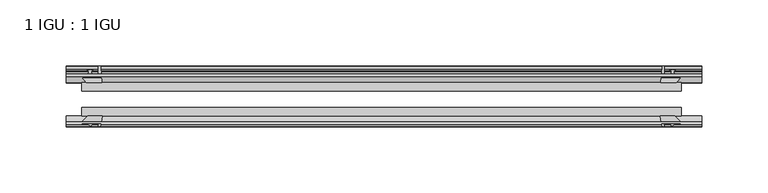
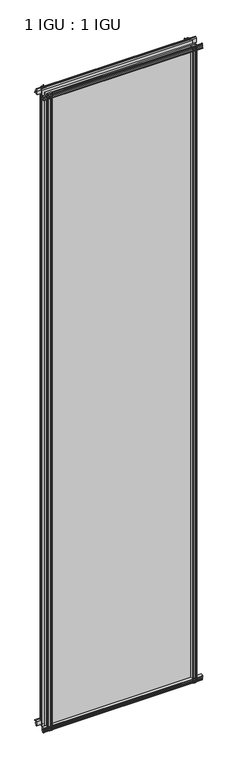
"""IFC4 building model written with IfcOpenShell, lengths in millimetres: plate geometry, 1 IGU : 1 IGU."""

from ifc_helpers import new_model, si_unit, point, frame, frame_2d, origin, place, context, project, spatial, polyline, circle_curve, trimmed, segment, composite_curve, outline, extrude, source, transform, mapped, element, save


def plate_1_igu_1_igu_00adc5f7(model_context):
    return source(origin(), model_context, "Body", "SweptSolid", [
        extrude(outline(composite_curve([segment(polyline([(-57.0900403, 1.731044), (-50.00625, 3.0983599), (-50.00625, -7.92383), (-54.1882244, -12.1058044)]), True, "CONTINUOUS"), segment(trimmed(circle_curve(frame_2d((-55.08625, -11.2077788)), 1.27), [point((-54.1882244, -12.1058044))], [point((-56.35625, -11.2077788))], False, "CARTESIAN"), True, "CONTINUOUS"), segment(polyline([(-56.35625, -11.2077788), (-56.35625, -8.0327788), (-57.835546, -5.4488186), (-56.35625, -5.1879788), (-56.35625, 0.2222212), (-57.65913, 0.0383748)]), True, "CONTINUOUS"), segment(trimmed(circle_curve(frame_2d((-56.9150839, 0.7302212)), 1.016), [point((-57.65913, 0.0383748))], [point((-57.0900403, 1.731044))], False, "CARTESIAN"), True, "CONTINUOUS")], self_intersect=False)), frame((-238.8488999, 0.0, 0.0), z_axis=(1.0, 0.0, 0.0), x_axis=(0.0, 1.0, 0.0)), (0.0, 0.0, 1.0), 481.7363999),
        extrude(outline(composite_curve([segment(polyline([(-24.60625, 2.5763839), (-12.8423053, 1.6478499)]), True, "CONTINUOUS"), segment(trimmed(circle_curve(frame_2d((-12.92225, 0.635)), 1.016), [point((-12.8423053, 1.6478499))], [point((-12.1291353, 0.0))], False, "CARTESIAN"), True, "CONTINUOUS"), segment(polyline([(-12.1291353, 0.0), (-18.25625, 0.0), (-18.25625, -4.953), (-15.9568457, -5.5691235), (-16.3325195, -4.1670901), (-15.4738114, -3.937), (-14.82725, -6.35), (-15.4738114, -8.763), (-16.3325195, -8.5329099), (-15.9568457, -7.1308765), (-18.25625, -7.747), (-18.25625, -12.7), (-20.28825, -12.7), (-24.60625, -9.1036931), (-24.60625, 2.5763839)]), True, "CONTINUOUS")], self_intersect=False)), frame((-238.8488999, 0.0, 0.0), z_axis=(1.0, 0.0, 0.0), x_axis=(0.0, 1.0, 0.0)), (0.0, 0.0, 1.0), 481.7363999),
        extrude(outline(composite_curve([segment(polyline([(-20.28825, 2019.3), (-18.25625, 2019.3), (-18.25625, 2014.347), (-15.9568457, 2013.7308765), (-16.3325195, 2015.1329099), (-15.4738114, 2015.363), (-14.82725, 2012.95), (-15.4738114, 2010.537), (-16.3325195, 2010.7670901), (-15.9568457, 2012.1691235), (-18.25625, 2011.553), (-18.25625, 2006.6), (-12.1291353, 2006.6)]), True, "CONTINUOUS"), segment(trimmed(circle_curve(frame_2d((-12.92225, 2005.965)), 1.016), [point((-12.1291353, 2006.6))], [point((-12.8423053, 2004.9521501))], False, "CARTESIAN"), True, "CONTINUOUS"), segment(polyline([(-12.8423053, 2004.9521501), (-24.60625, 2004.0236161), (-24.60625, 2015.7036931), (-20.28825, 2019.3)]), True, "CONTINUOUS")], self_intersect=False)), frame((-238.8488999, 0.0, 0.0), z_axis=(1.0, 0.0, 0.0), x_axis=(0.0, 1.0, 0.0)), (0.0, 0.0, 1.0), 481.7363999),
        extrude(outline(composite_curve([segment(trimmed(circle_curve(frame_2d((-56.9150839, 2005.8697788)), 1.016), [point((-57.0900403, 2004.868956))], [point((-57.65913, 2006.5616252))], False, "CARTESIAN"), True, "CONTINUOUS"), segment(polyline([(-57.65913, 2006.5616252), (-56.35625, 2006.3777788), (-56.35625, 2011.7879788), (-57.835546, 2012.0488186), (-56.35625, 2014.6327788), (-56.35625, 2017.8077788)]), True, "CONTINUOUS"), segment(trimmed(circle_curve(frame_2d((-55.08625, 2017.8077788)), 1.27), [point((-56.35625, 2017.8077788))], [point((-54.1882244, 2018.7058044))], False, "CARTESIAN"), True, "CONTINUOUS"), segment(polyline([(-54.1882244, 2018.7058044), (-50.00625, 2014.52383), (-50.00625, 2003.5016401), (-57.0900403, 2004.868956)]), True, "CONTINUOUS")], self_intersect=False)), frame((-238.8488999, 0.0, 0.0), z_axis=(1.0, 0.0, 0.0), x_axis=(0.0, 1.0, 0.0)), (0.0, 0.0, 1.0), 481.7363999),
        extrude(outline(composite_curve([segment(polyline([(211.736116, -24.60625), (212.6646501, -12.8423053)]), True, "CONTINUOUS"), segment(trimmed(circle_curve(frame_2d((213.6774999, -12.92225)), 1.016), [point((212.6646501, -12.8423053))], [point((214.3124999, -12.1291353))], False, "CARTESIAN"), True, "CONTINUOUS"), segment(polyline([(214.3124999, -12.1291353), (214.3124999, -18.25625), (219.2654999, -18.25625), (219.8816235, -15.9568457), (218.4795901, -16.3325195), (218.2494999, -15.4738114), (220.6624999, -14.82725), (223.0754999, -15.4738114), (222.8454098, -16.3325195), (221.4433764, -15.9568457), (222.0594999, -18.25625), (227.0124999, -18.25625), (227.0124999, -20.28825), (223.416193, -24.60625), (211.736116, -24.60625)]), True, "CONTINUOUS")], self_intersect=False)), frame((0.0, 0.0, -12.7), z_axis=(0.0, 0.0, 1.0), x_axis=(1.0, 0.0, 0.0)), (0.0, 0.0, 1.0), 2032.0),
        extrude(outline(composite_curve([segment(polyline([(219.5004787, -56.35625), (214.0902787, -56.35625), (214.2741251, -57.65913)]), True, "CONTINUOUS"), segment(trimmed(circle_curve(frame_2d((213.5822787, -56.9150839)), 1.016), [point((214.2741251, -57.65913))], [point((212.5814559, -57.0900403))], False, "CARTESIAN"), True, "CONTINUOUS"), segment(polyline([(212.5814559, -57.0900403), (211.21414, -50.00625), (222.23633, -50.00625), (226.4183043, -54.1882244)]), True, "CONTINUOUS"), segment(trimmed(circle_curve(frame_2d((225.5202787, -55.08625)), 1.27), [point((226.4183043, -54.1882244))], [point((225.5202787, -56.35625))], False, "CARTESIAN"), True, "CONTINUOUS"), segment(polyline([(225.5202787, -56.35625), (222.3452787, -56.35625), (219.7613185, -57.835546), (219.5004787, -56.35625)]), True, "CONTINUOUS")], self_intersect=False)), frame((0.0, 0.0, -12.7), z_axis=(0.0, 0.0, 1.0), x_axis=(1.0, 0.0, 0.0)), (0.0, 0.0, 1.0), 2032.0),
        extrude(outline(composite_curve([segment(polyline([(-211.736116, -24.60625), (-223.416193, -24.60625), (-227.0124999, -20.28825), (-227.0124999, -18.25625), (-222.0594999, -18.25625), (-221.4433764, -15.9568457), (-222.8454098, -16.3325195), (-223.0754999, -15.4738114), (-220.6624999, -14.82725), (-218.2494999, -15.4738114), (-218.4795901, -16.3325195), (-219.8816235, -15.9568457), (-219.2654999, -18.25625), (-214.3124999, -18.25625), (-214.3124999, -12.1291353)]), True, "CONTINUOUS"), segment(trimmed(circle_curve(frame_2d((-213.6774999, -12.92225)), 1.016), [point((-214.3124999, -12.1291353))], [point((-212.6646501, -12.8423053))], False, "CARTESIAN"), True, "CONTINUOUS"), segment(polyline([(-212.6646501, -12.8423053), (-211.736116, -24.60625)]), True, "CONTINUOUS")], self_intersect=False)), frame((0.0, 0.0, -12.7), z_axis=(0.0, 0.0, 1.0), x_axis=(1.0, 0.0, 0.0)), (0.0, 0.0, 1.0), 2032.0),
        extrude(outline(composite_curve([segment(polyline([(-211.21414, -50.00625), (-212.5814559, -57.0900403)]), True, "CONTINUOUS"), segment(trimmed(circle_curve(frame_2d((-213.5822787, -56.9150839)), 1.016), [point((-212.5814559, -57.0900403))], [point((-214.2741251, -57.65913))], False, "CARTESIAN"), True, "CONTINUOUS"), segment(polyline([(-214.2741251, -57.65913), (-214.0902787, -56.35625), (-219.5004787, -56.35625), (-219.7613185, -57.835546), (-222.3452787, -56.35625), (-225.5202787, -56.35625)]), True, "CONTINUOUS"), segment(trimmed(circle_curve(frame_2d((-225.5202787, -55.08625)), 1.27), [point((-225.5202787, -56.35625))], [point((-226.4183043, -54.1882244))], False, "CARTESIAN"), True, "CONTINUOUS"), segment(polyline([(-226.4183043, -54.1882244), (-222.23633, -50.00625), (-211.21414, -50.00625)]), True, "CONTINUOUS")], self_intersect=False)), frame((0.0, 0.0, -12.7), z_axis=(0.0, 0.0, 1.0), x_axis=(1.0, 0.0, 0.0)), (0.0, 0.0, 1.0), 2032.0),
        extrude(outline(polyline([(-227.0124999, -24.60625), (227.0124999, -24.60625), (227.0124999, -30.95625), (-227.0124999, -30.95625), (-227.0124999, -24.60625)])), frame((0.0, 0.0, -12.7), z_axis=(0.0, 0.0, 1.0), x_axis=(1.0, 0.0, 0.0)), (0.0, 0.0, 1.0), 2032.0),
        extrude(outline(polyline([(227.0124999, -43.65625), (227.0124999, -50.00625), (-227.0124999, -50.00625), (-227.0124999, -43.65625), (227.0124999, -43.65625)])), frame((0.0, 0.0, -12.7), z_axis=(0.0, 0.0, 1.0), x_axis=(1.0, 0.0, 0.0)), (0.0, 0.0, 1.0), 2032.0),
    ])


if __name__ == "__main__":
    model = new_model("IFC4")
    model_context = context("Model", 3, world=origin())
    ifc_project = project(units=[si_unit("LENGTHUNIT", "METRE", prefix="MILLI")], contexts=[model_context])
    site = spatial("IfcSite", under=ifc_project)
    building = spatial("IfcBuilding", under=site)
    placement = place(None, origin())
    plate_1_igu_1_igu_shape = plate_1_igu_1_igu_00adc5f7(model_context)
    element("IfcPlate", 1, ObjectType="1 IGU : 1 IGU", at=placement, inside=building, context=model_context, shape_type="MappedRepresentation", body=[
        mapped(plate_1_igu_1_igu_shape, transform((0.0, 0.0, 0.0), x_axis=(1.0, 0.0, 0.0), y_axis=(0.0, 1.0, 0.0), z_axis=(0.0, 0.0, 1.0))),
    ])
    save(model, "model.ifc")
